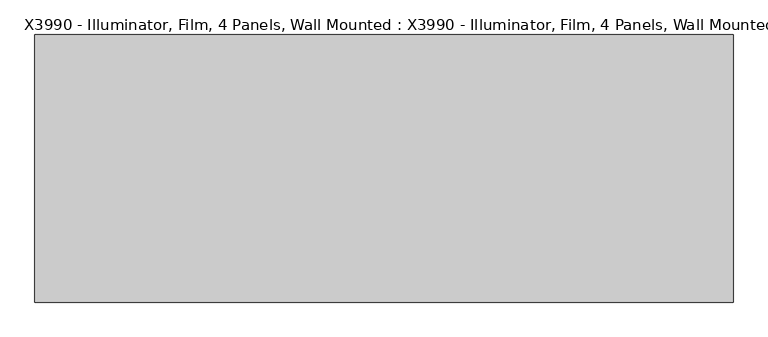
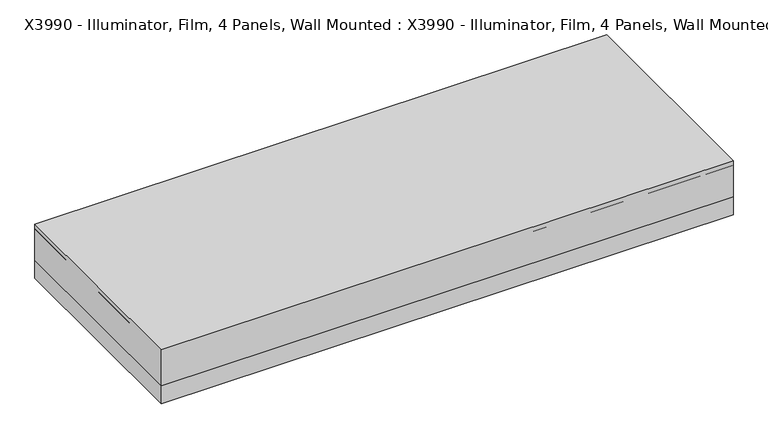
"""IFC4 building model written with IfcOpenShell, lengths in millimetres: proxy geometry, X3990 - Illuminator, Film, 4 Panels, Wall Mounted : X3990 - Illuminator, Film, 4 Panels, Wall Mounted."""

import ifcopenshell
import ifcopenshell.guid

model = None  # the IFC model being written
_history = None  # IfcOwnerHistory: only IFC2X3 demands one
_inside = {}  # id of a spatial element -> (the spatial element, [elements in it])
_under = {}  # id of a project, library or spatial element -> (it, [spatial elements below it])
_declared = {}  # id of a project -> (the project, [libraries it declares])
_typed = {}  # id of a type object -> (the type object, [elements of that type])
_made_of = {}  # id of a material, layer set ... -> (it, [elements and type objects made of it])


def new_model(schema):
    """Start an empty IFC model of exactly this schema.

    Asked for "IFC4X3", IfcOpenShell would pick the latest addendum, in which some entities
    have other attributes; the version numbers below select the first issue.
    IFC2X3 requires an IfcOwnerHistory on every rooted entity: one is made here for all.
    """
    global model, _history
    if schema == "IFC4X3":
        model = ifcopenshell.file(schema_version=(4, 3, 0, 0))
    else:
        model = ifcopenshell.file(schema=schema)
    _inside.clear()
    _under.clear()
    _declared.clear()
    _typed.clear()
    _made_of.clear()
    _history = None
    if model.schema == "IFC2X3":
        org = make("IfcOrganization", Name="unknown")
        user = make(
            "IfcPersonAndOrganization",
            ThePerson=make("IfcPerson", FamilyName="unknown"),
            TheOrganization=org,
        )
        app = make(
            "IfcApplication",
            ApplicationDeveloper=org,
            Version="unknown",
            ApplicationFullName="unknown",
            ApplicationIdentifier="unknown",
        )
        _history = make(
            "IfcOwnerHistory",
            OwningUser=user,
            OwningApplication=app,
            ChangeAction="ADDED",
            CreationDate=0,
        )
    return model


def make(cls, **values):
    """One entity of the class cls with the attributes given. An attribute that is None is left unset."""
    return model.create_entity(
        cls, **{name: value for name, value in values.items() if value is not None}
    )


def rooted(cls, **values):
    """An entity with a GlobalId (a new one), such as an element, a storey or a relation."""
    return make(cls, GlobalId=ifcopenshell.guid.new(), OwnerHistory=_history, **values)


def si_unit(unit_type, name, prefix=None):
    """IfcSIUnit, for example si_unit("LENGTHUNIT", "METRE", prefix="MILLI")."""
    return make("IfcSIUnit", UnitType=unit_type, Prefix=prefix, Name=name)


def assignment(units):
    """IfcUnitAssignment: the units of a project."""
    return None if units is None else make("IfcUnitAssignment", Units=units)


def point(xyz):
    """IfcCartesianPoint."""
    return None if xyz is None else make("IfcCartesianPoint", Coordinates=xyz)


def direction(xyz):
    """IfcDirection."""
    return None if xyz is None else make("IfcDirection", DirectionRatios=xyz)


def frame(location, z_axis=None, x_axis=None):
    """IfcAxis2Placement3D, a coordinate frame: its origin and axes. An axis left out is left unset."""
    return make(
        "IfcAxis2Placement3D",
        Location=point(location),
        Axis=direction(z_axis),
        RefDirection=direction(x_axis),
    )


def origin():
    """The frame at (0, 0, 0) with its axes left unset."""
    return frame((0.0, 0.0, 0.0))


def origin_with_axes():
    """The frame at (0, 0, 0) with the z axis (0, 0, 1) and the x axis (1, 0, 0) written out."""
    return frame((0.0, 0.0, 0.0), z_axis=(0.0, 0.0, 1.0), x_axis=(1.0, 0.0, 0.0))


def place(relative_to, where):
    """IfcLocalPlacement: puts the frame where relative to a parent placement (None: the world)."""
    return make(
        "IfcLocalPlacement", PlacementRelTo=relative_to, RelativePlacement=where
    )


def context(
    kind, dimensions, precision=None, world=None, true_north=None, identifier=None
):
    """IfcGeometricRepresentationContext, for example the 3D "Model" context."""
    return make(
        "IfcGeometricRepresentationContext",
        ContextIdentifier=identifier,
        ContextType=kind,
        CoordinateSpaceDimension=dimensions,
        Precision=precision,
        WorldCoordinateSystem=world,
        TrueNorth=true_north,
    )


def project(units=None, contexts=None):
    """IfcProject with its units and contexts."""
    return rooted(
        "IfcProject",
        Name="project",
        RepresentationContexts=contexts,
        UnitsInContext=assignment(units),
    )


def spatial(cls, under=None, at=None, **own):
    """A site, building, storey or space (cls), placed at a placement, below another one or the project."""
    s = rooted(cls, ObjectPlacement=at, **own)
    if under is not None:
        _under.setdefault(under.id(), (under, []))[1].append(s)
    return s


def polyline(points):
    """IfcPolyline through the points."""
    return make("IfcPolyline", Points=[point(p) for p in points])


def outline(outer, holes=None, kind="AREA"):
    """IfcArbitraryClosedProfileDef: a profile drawn as a closed curve; with holes, ...WithVoids."""
    if holes is None:
        return make("IfcArbitraryClosedProfileDef", ProfileType=kind, OuterCurve=outer)
    return make(
        "IfcArbitraryProfileDefWithVoids",
        ProfileType=kind,
        OuterCurve=outer,
        InnerCurves=holes,
    )


def extrude(swept, where, along, depth):
    """IfcExtrudedAreaSolid: the profile swept, set in the frame where, extruded along a direction by depth."""
    return make(
        "IfcExtrudedAreaSolid",
        SweptArea=swept,
        Position=where,
        ExtrudedDirection=direction(along),
        Depth=depth,
    )


def shape(context_of_items, identifier, shape_type, items):
    """IfcShapeRepresentation: the items that make up one representation, for example the "Body"."""
    return make(
        "IfcShapeRepresentation",
        ContextOfItems=context_of_items,
        RepresentationIdentifier=identifier,
        RepresentationType=shape_type,
        Items=items,
    )


def source(mapping_origin, context_of_items, identifier, shape_type, items):
    """IfcRepresentationMap: a shape defined once, which mapped items show again and again."""
    return make(
        "IfcRepresentationMap",
        MappingOrigin=mapping_origin,
        MappedRepresentation=shape(context_of_items, identifier, shape_type, items),
    )


def transform(
    local_origin,
    x_axis=None,
    y_axis=None,
    z_axis=None,
    scale=None,
    scale2=None,
    scale3=None,
    uniform=True,
):
    """IfcCartesianTransformationOperator3D, or its non-uniform kind. x_axis, y_axis, z_axis: its Axis1, 2, 3."""
    if uniform:
        return make(
            "IfcCartesianTransformationOperator3D",
            Axis1=direction(x_axis),
            Axis2=direction(y_axis),
            LocalOrigin=point(local_origin),
            Scale=scale,
            Axis3=direction(z_axis),
        )
    return make(
        "IfcCartesianTransformationOperator3DnonUniform",
        Axis1=direction(x_axis),
        Axis2=direction(y_axis),
        LocalOrigin=point(local_origin),
        Scale=scale,
        Axis3=direction(z_axis),
        Scale2=scale2,
        Scale3=scale3,
    )


def mapped(mapping_source, mapping_target):
    """IfcMappedItem: shows the shape of a source again, moved by a transform."""
    return make(
        "IfcMappedItem", MappingSource=mapping_source, MappingTarget=mapping_target
    )


def made_of(thing, what):
    """Note that an element or type object is made of a material, layer set ...; save() writes the relation."""
    if what is not None:
        _made_of.setdefault(what.id(), (what, []))[1].append(thing)
    return thing


def element(
    cls,
    number,
    at=None,
    inside=None,
    cuts=None,
    type_object=None,
    material=None,
    context=None,
    identifier="Body",
    shape_type=None,
    held_by="IfcProductDefinitionShape",
    body=None,
    shapes=None,
    **own,
):
    """One element of the class cls, such as IfcWall. Its Tag is "e" and its number.

    at: its placement. inside: the storey or other place that contains it. cuts: it is an
    opening in that element (IfcRelVoidsElement). A single representation is given by context,
    identifier, shape_type and body (its items); several are given by shapes. held_by: the class
    of the entity that holds the representations. save() writes the other relations.
    """
    e = rooted(cls, Tag="e%d" % number, ObjectPlacement=at, **own)
    if body is not None:
        shapes = [shape(context, identifier, shape_type, body)]
    if shapes is not None:
        e.Representation = make(held_by, Representations=shapes)
    if inside is not None:
        _inside.setdefault(inside.id(), (inside, []))[1].append(e)
    if cuts is not None:
        rooted(
            "IfcRelVoidsElement", RelatingBuildingElement=cuts, RelatedOpeningElement=e
        )
    if type_object is not None:
        _typed.setdefault(type_object.id(), (type_object, []))[1].append(e)
    return made_of(e, material)


def aggregate(whole, parts):
    """IfcRelAggregates: a whole, such as a stair, and the parts it consists of."""
    return rooted("IfcRelAggregates", RelatingObject=whole, RelatedObjects=parts)


def save(model, path):
    """Write the relations noted so far, then the file.

    IfcRelAggregates (storeys below a building ...), IfcRelContainedInSpatialStructure (elements
    in a storey), IfcRelDefinesByType, IfcRelAssociatesMaterial and IfcRelDeclares: one each for
    every whole, place, type object, material and project.
    """
    for whole, parts in _under.values():
        aggregate(whole, parts)
    for where, things in _inside.values():
        rooted(
            "IfcRelContainedInSpatialStructure",
            RelatedElements=things,
            RelatingStructure=where,
        )
    for kind, things in _typed.values():
        rooted("IfcRelDefinesByType", RelatedObjects=things, RelatingType=kind)
    for what, things in _made_of.values():
        rooted("IfcRelAssociatesMaterial", RelatedObjects=things, RelatingMaterial=what)
    for by, libraries in _declared.values():
        rooted("IfcRelDeclares", RelatingContext=by, RelatedDefinitions=libraries)
    model.write(path)


def x3990_illuminator_film_4_panels_wall_mounted_x3990_cb2436a7(model_context):
    return source(origin(), model_context, "Body", "SweptSolid", [
        extrude(outline(polyline([(-762.0, 292.1), (762.0, 292.1), (762.0, -292.1), (-762.0, -292.1), (-762.0, 292.1)])), frame((0.0, 0.0, 50.8), z_axis=(0.0, 0.0, 1.0), x_axis=(1.0, 0.0, 0.0)), (0.0, 0.0, 1.0), 101.6),
        extrude(outline(polyline([(660.4, 241.3), (660.4, 228.6), (-660.4, 228.6), (-660.4, 241.3), (660.4, 241.3)])), frame((0.0, 0.0, 139.7), z_axis=(0.0, 0.0, 1.0), x_axis=(1.0, 0.0, 0.0)), (0.0, 0.0, 1.0), 12.7),
        extrude(outline(polyline([(749.3, 228.6), (749.3, -273.7547399), (-749.3, -273.7547399), (-749.3, 228.6), (749.3, 228.6)])), origin_with_axes(), (0.0, 0.0, 1.0), 139.7),
        extrude(outline(polyline([(762.0, -292.1), (-762.0, -292.1), (-762.0, 292.1), (762.0, 292.1), (762.0, -292.1)]), holes=[polyline([(749.3, -273.7547399), (749.3, 228.6), (-749.3, 228.6), (-749.3, -273.7547399), (749.3, -273.7547399)])]), origin_with_axes(), (0.0, 0.0, 1.0), 139.7),
    ])


if __name__ == "__main__":
    model = new_model("IFC4")
    model_context = context("Model", 3, world=origin())
    ifc_project = project(units=[si_unit("LENGTHUNIT", "METRE", prefix="MILLI")], contexts=[model_context])
    site = spatial("IfcSite", under=ifc_project)
    building = spatial("IfcBuilding", under=site)
    placement = place(None, origin())
    x3990_illuminator_film_4_panels_wall_mounted_x3990_shape = x3990_illuminator_film_4_panels_wall_mounted_x3990_cb2436a7(model_context)
    element("IfcBuildingElementProxy", 1, Name="X3990 - Illuminator, Film, 4 Panels, Wall Mounted : X3990 - Illuminator, Film, 4 Panels, Wall Mounted", ObjectType="X3990 - Illuminator, Film, 4 Panels, Wall Mounted : X3990 - Illuminator, Film, 4 Panels, Wall Mounted", at=placement, inside=building, context=model_context, shape_type="MappedRepresentation", body=[
        mapped(x3990_illuminator_film_4_panels_wall_mounted_x3990_shape, transform((0.0, 0.0, 0.0), x_axis=(1.0, 0.0, 0.0), y_axis=(0.0, 1.0, 0.0), z_axis=(0.0, 0.0, 1.0))),
    ])
    save(model, "model.ifc")
